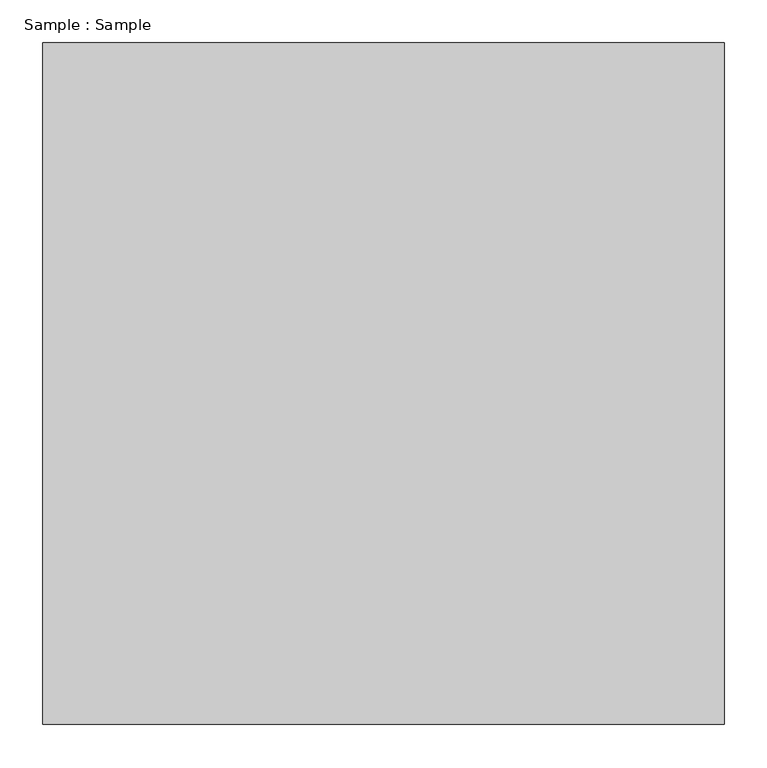
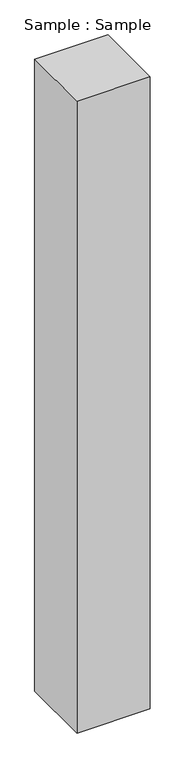
"""IFC4 building model written with IfcOpenShell, lengths in millimetres: proxy geometry, Sample : Sample."""

from ifc_helpers import new_model, si_unit, origin, origin_with_axes, place, context, project, spatial, polyline, outline, extrude, source, transform, mapped, element, save


def sample_sample_8fa2a4eb(model_context):
    return source(origin(), model_context, "Body", "SweptSolid", [
        extrude(outline(polyline([(400.0, 400.0), (400.0, -400.0), (-400.0, -400.0), (-400.0, 400.0), (400.0, 400.0)])), origin_with_axes(), (0.0, 0.0, 1.0), 7310.3448276),
    ])


if __name__ == "__main__":
    model = new_model("IFC4")
    model_context = context("Model", 3, world=origin())
    ifc_project = project(units=[si_unit("LENGTHUNIT", "METRE", prefix="MILLI")], contexts=[model_context])
    site = spatial("IfcSite", under=ifc_project)
    building = spatial("IfcBuilding", under=site)
    placement = place(None, origin())
    sample_sample_shape = sample_sample_8fa2a4eb(model_context)
    element("IfcBuildingElementProxy", 1, Name="Sample : Sample", ObjectType="Sample : Sample", at=placement, inside=building, context=model_context, shape_type="MappedRepresentation", body=[
        mapped(sample_sample_shape, transform((0.0, 0.0, 0.0), x_axis=(1.0, 0.0, 0.0), y_axis=(0.0, 1.0, 0.0), z_axis=(0.0, 0.0, 1.0))),
    ])
    save(model, "model.ifc")
